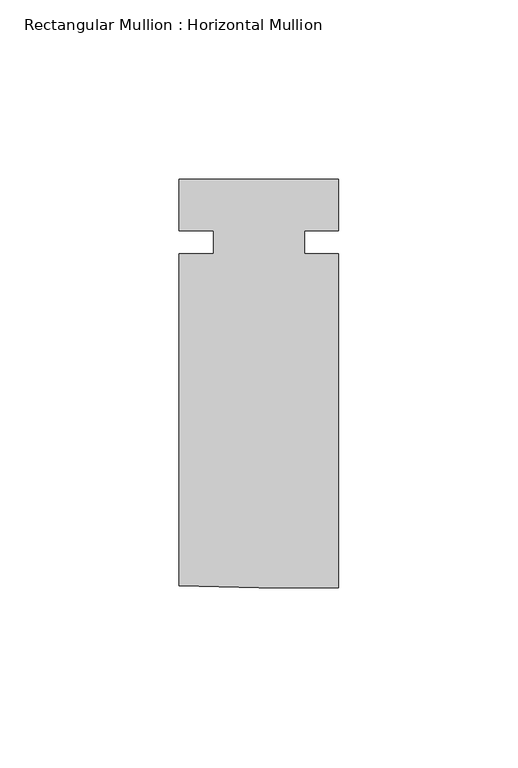
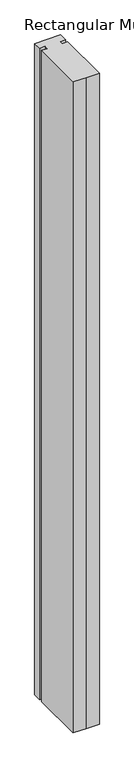
"""IFC4 building model written with IfcOpenShell, lengths in millimetres: member geometry, Rectangular Mullion : Horizontal Mullion."""

from ifc_helpers import new_model, si_unit, frame, origin, place, context, project, spatial, polyline, outline, extrude, source, transform, mapped, element, save


def rectangular_mullion_horizontal_mullion_6f962569(model_context):
    return source(origin(), model_context, "Body", "SweptSolid", [
        extrude(outline(polyline([(22.225, -96.393), (-0.020511, -96.393), (-22.225, -95.8448729), (-22.225, -3.175), (-12.6746, -3.175), (-12.6746, 3.175), (-22.225, 3.175), (-22.225, 17.5006), (22.225, 17.5006), (22.225, 3.175), (12.7246218, 3.175), (12.7246218, -3.175), (22.225, -3.175), (22.225, -96.393)])), frame((0.0, 0.0, -1174.75), z_axis=(0.0, 0.0, 1.0), x_axis=(1.0, 0.0, 0.0)), (0.0, 0.0, 1.0), 1174.75),
    ])


if __name__ == "__main__":
    model = new_model("IFC4")
    model_context = context("Model", 3, world=origin())
    ifc_project = project(units=[si_unit("LENGTHUNIT", "METRE", prefix="MILLI")], contexts=[model_context])
    site = spatial("IfcSite", under=ifc_project)
    building = spatial("IfcBuilding", under=site)
    placement = place(None, origin())
    rectangular_mullion_horizontal_mullion_shape = rectangular_mullion_horizontal_mullion_6f962569(model_context)
    element("IfcMember", 1, ObjectType="Rectangular Mullion : Horizontal Mullion", at=placement, inside=building, context=model_context, shape_type="MappedRepresentation", body=[
        mapped(rectangular_mullion_horizontal_mullion_shape, transform((0.0, 0.0, 0.0), x_axis=(1.0, 0.0, 0.0), y_axis=(0.0, 1.0, 0.0), z_axis=(0.0, 0.0, 1.0))),
    ])
    save(model, "model.ifc")
